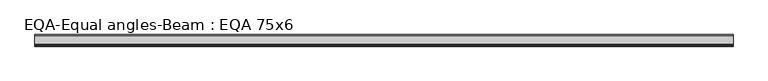
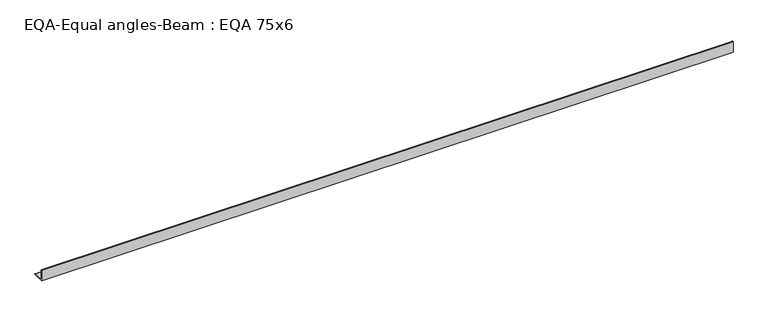
"""IFC4 building model written with IfcOpenShell, lengths in millimetres: beam geometry, EQA-Equal angles-Beam : EQA 75x6."""

from ifc_helpers import new_model, si_unit, point, frame, frame_2d, origin, place, context, project, spatial, polyline, circle_curve, trimmed, segment, composite_curve, outline, extrude, source, transform, mapped, element, save


def eqa_equal_angles_beam_eqa_75x6_e62238bc(model_context):
    return source(origin(), model_context, "Body", "SweptSolid", [
        extrude(outline(composite_curve([segment(polyline([(-20.5, -20.5), (-20.5, 54.5), (-19.0, 54.5)]), True, "CONTINUOUS"), segment(trimmed(circle_curve(frame_2d((-19.0, 50.0)), 4.5), [point((-19.0, 54.5))], [point((-14.5, 50.0))], False, "CARTESIAN"), True, "CONTINUOUS"), segment(polyline([(-14.5, 50.0), (-14.5, -5.5)]), True, "CONTINUOUS"), segment(trimmed(circle_curve(frame_2d((-5.5, -5.5)), 9.0), [point((-14.5, -5.5))], [point((-5.5, -14.5))], True, "CARTESIAN"), True, "CONTINUOUS"), segment(polyline([(-5.5, -14.5), (50.0, -14.5)]), True, "CONTINUOUS"), segment(trimmed(circle_curve(frame_2d((50.0, -19.0)), 4.5), [point((50.0, -14.5))], [point((54.5, -19.0))], False, "CARTESIAN"), True, "CONTINUOUS"), segment(polyline([(54.5, -19.0), (54.5, -20.5), (-20.5, -20.5)]), True, "CONTINUOUS")], self_intersect=False)), frame((-2171.2569362, 0.0, 0.0), z_axis=(1.0, 0.0, 0.0), x_axis=(0.0, 1.0, 0.0)), (0.0, 0.0, 1.0), 4511.3773498),
    ])


if __name__ == "__main__":
    model = new_model("IFC4")
    model_context = context("Model", 3, world=origin())
    ifc_project = project(units=[si_unit("LENGTHUNIT", "METRE", prefix="MILLI")], contexts=[model_context])
    site = spatial("IfcSite", under=ifc_project)
    building = spatial("IfcBuilding", under=site)
    placement = place(None, origin())
    eqa_equal_angles_beam_eqa_75x6_shape = eqa_equal_angles_beam_eqa_75x6_e62238bc(model_context)
    element("IfcBeam", 1, ObjectType="EQA-Equal angles-Beam : EQA 75x6", at=placement, inside=building, context=model_context, shape_type="MappedRepresentation", body=[
        mapped(eqa_equal_angles_beam_eqa_75x6_shape, transform((0.0, 0.0, 0.0), x_axis=(1.0, 0.0, 0.0), y_axis=(0.0, 1.0, 0.0), z_axis=(0.0, 0.0, 1.0))),
    ])
    save(model, "model.ifc")
